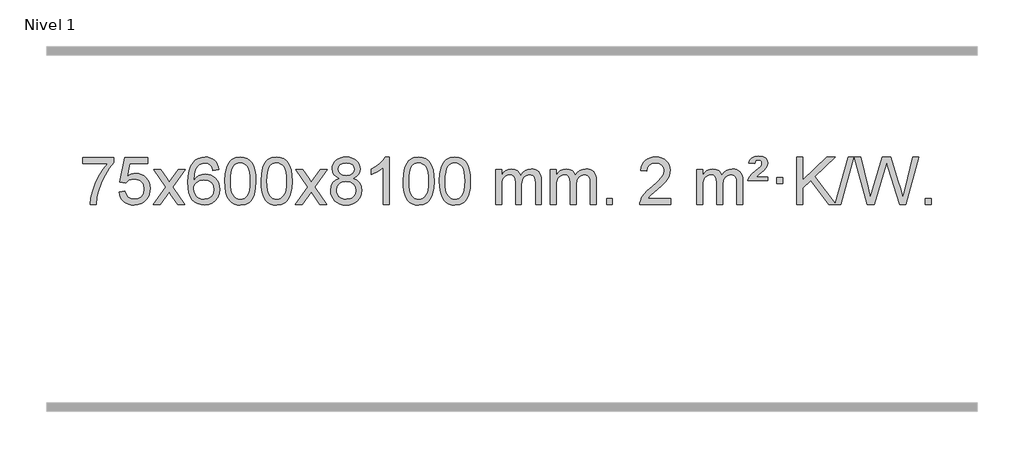
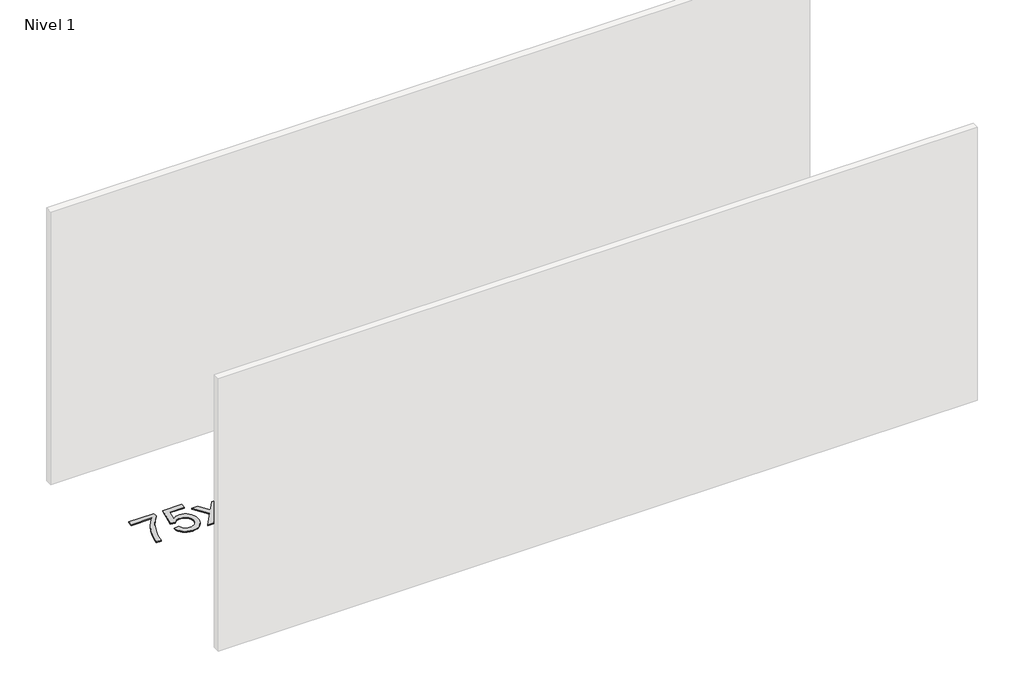
# One storey, part 16 of 21: 1 proxy.
"""IFC4 building model written with IfcOpenShell, lengths in millimetres."""

from ifc_helpers import new_model, si_unit, origin, origin_with_axes, place, context, project, spatial, polyline, outline, extrude, element, save

model = new_model("IFC4")

# Units and contexts
model_context = context("Model", 3, world=origin())
ifc_project = project(units=[si_unit("LENGTHUNIT", "METRE", prefix="MILLI")], contexts=[model_context])

# Site, building, storey
site = spatial("IfcSite", under=ifc_project)
building = spatial("IfcBuilding", under=site)
storey = spatial("IfcBuildingStorey", under=building, Name="Nivel 1", Elevation=0.0)

# Proxy
placement = place(None, origin())
element("IfcBuildingElementProxy", 1, Name="Texto de modelo 1", ObjectType="Texto de modelo 1", at=placement, inside=storey, context=model_context, shape_type="SweptSolid", body=[
    extrude(outline(polyline([(76.1355068, -9070.2608869), (76.1355068, -9020.0327318), (339.8333209, -9020.0327318), (339.8333209, -9060.646904), (302.2480437, -9108.214046), (265.0306485, -9168.7061088), (232.2033118, -9236.6048623), (207.7882101, -9306.3920768), (195.8197825, -9358.6067947), (189.1488557, -9415.579453), (138.9207006, -9415.579453), (144.3530914, -9363.8061935), (158.8844302, -9302.2717985), (182.1223096, -9237.0463207), (213.674322, -9174.1998132), (250.5115725, -9117.3865704), (289.6051658, -9070.2608869), (76.1355068, -9070.2608869)])), origin_with_axes(), (0.0, 0.0, 1.0), 10.0),
    extrude(outline(polyline([(383.7829566, -9308.8446235), (434.0111117, -9302.5661041), (443.232687, -9332.7201649), (459.3213929, -9354.3148381), (482.203653, -9367.3010725), (511.8058909, -9371.6298173), (530.9357547, -9370.1245668), (547.8092755, -9365.6088153), (562.4264534, -9358.0825628), (574.7872885, -9347.5458094), (584.6158691, -9334.519721), (591.6362839, -9319.5254641), (597.2526157, -9283.6324441), (591.9919031, -9249.8363514), (585.4160125, -9235.9181493), (576.2097655, -9223.9865099), (564.3425055, -9214.4154467), (549.7835755, -9207.5789729), (512.5907058, -9202.1097939), (488.224655, -9204.2925604), (468.4939173, -9210.8408599), (452.7363052, -9220.8717757), (440.2896311, -9233.5023908), (390.061476, -9227.2238715), (434.0111117, -9020.0327318), (628.6452126, -9020.0327318), (628.6452126, -9070.2608869), (474.6252839, -9070.2608869), (453.1409754, -9180.919791), (470.8667562, -9168.2155994), (489.0217327, -9159.1411769), (507.6059048, -9153.6965234), (526.6192726, -9151.8816388), (551.0803596, -9154.1318504), (573.5487524, -9160.882485), (594.0244512, -9172.1335427), (612.5074557, -9187.8850234), (627.808281, -9207.1743027), (638.737442, -9229.038756), (645.2949385, -9253.4783832), (647.4807707, -9280.4931844), (645.5126021, -9306.5147042), (639.608096, -9330.7213394), (629.7672527, -9353.1130902), (615.9900719, -9373.6899565), (595.1189001, -9394.7634634), (570.765112, -9409.8159684), (542.9287077, -9418.8474714), (511.6096872, -9421.8579724), (485.6893349, -9419.9235262), (462.2767116, -9414.1201877), (441.3718173, -9404.447957), (422.9746518, -9390.9068338), (407.6676951, -9374.1712688), (396.033427, -9354.915712), (388.0718475, -9333.1401636), (383.7829566, -9308.8446235)])), origin_with_axes(), (0.0, 0.0, 1.0), 10.0),
    extrude(outline(polyline([(672.5948483, -9415.579453), (779.918289, -9267.2494325), (678.8733677, -9120.4890419), (739.3041167, -9120.4890419), (788.0607438, -9191.122385), (810.8203766, -9224.4770192), (830.5388515, -9197.2047007), (886.0645073, -9120.4890419), (946.4952564, -9120.4890419), (840.3490381, -9267.2494325), (942.5711818, -9415.579453), (882.1404327, -9415.579453), (820.6305631, -9326.4048574), (809.3488486, -9310.1199477), (733.0255973, -9415.579453), (672.5948483, -9415.579453)])), origin_with_axes(), (0.0, 0.0, 1.0), 10.0),
    extrude(outline(polyline([(1231.3830735, -9120.4890419), (1181.1549184, -9126.7675613), (1173.0615145, -9101.874213), (1162.1231565, -9084.8780648), (1139.3389983, -9069.2062918), (1111.7968996, -9063.9823675), (1088.4486556, -9067.0235253), (1066.4738378, -9076.1469988), (1047.6014914, -9095.3627017), (1032.1872358, -9121.8134171), (1021.7761754, -9159.227016), (1017.9134144, -9211.3313693), (1038.061085, -9187.8237098), (1062.2064066, -9171.2567573), (1089.0004786, -9161.434308), (1117.0944003, -9158.1601582), (1141.2274592, -9160.398107), (1163.4965826, -9167.1119534), (1183.9017706, -9178.3016975), (1202.4430232, -9193.9673391), (1217.8511474, -9213.1769106), (1228.8569504, -9234.9984443), (1235.4604323, -9259.4319401), (1237.6615929, -9286.4773982), (1233.5167891, -9322.4439945), (1221.0823776, -9355.786366), (1201.3884281, -9384.0642287), (1175.4650102, -9404.8372987), (1144.4893462, -9417.602804), (1109.6386585, -9421.8579724), (1079.6961298, -9419.0375437), (1052.6537375, -9410.5762579), (1028.5114816, -9396.4741147), (1007.269362, -9376.7311143), (989.9513171, -9350.5133908), (977.581285, -9316.9870783), (970.1592658, -9276.1521768), (967.6852593, -9228.0086864), (970.4321116, -9174.0342663), (978.6726683, -9127.9693092), (992.4069294, -9089.8138149), (1011.634895, -9059.5677835), (1032.4754101, -9039.5243462), (1056.6391258, -9025.2076052), (1084.1260422, -9016.6175606), (1114.9361593, -9013.7542124), (1138.0698054, -9015.5261773), (1159.0084223, -9020.8420722), (1177.7520099, -9029.7018969), (1194.3005684, -9042.1056515), (1208.2065078, -9057.6364031), (1219.0222384, -9075.8772186), (1226.7477603, -9096.8280983), (1231.3830735, -9120.4890419)]), holes=[polyline([(1017.9134144, -9285.6925832), (1020.8196822, -9307.9494439), (1029.5384855, -9329.2007605), (1043.0765429, -9347.472233), (1060.4405731, -9360.7895612), (1081.397584, -9368.9197533), (1105.7145839, -9371.6298173), (1138.8607517, -9366.0134855), (1152.7758882, -9358.9930708), (1164.9190597, -9349.1644901), (1174.7691001, -9336.9262824), (1181.8048433, -9322.6769865), (1187.4334378, -9288.1451299), (1181.8784197, -9254.9989621), (1174.934647, -9241.3781312), (1165.2133653, -9229.725469), (1153.0334056, -9220.3904634), (1138.7135989, -9213.7226022), (1103.6544448, -9208.3883133), (1070.5573279, -9213.7226022), (1042.8803391, -9229.725469), (1031.9573096, -9241.2248471), (1024.1551456, -9254.3858254), (1019.4738472, -9269.2084042), (1017.9134144, -9285.6925832)])]), origin_with_axes(), (0.0, 0.0, 1.0), 10.0),
    extrude(outline(polyline([(1281.6112286, -9217.9041943), (1285.3023112, -9153.5861588), (1296.3755593, -9102.2911459), (1314.7206081, -9063.2343407), (1326.5786711, -9048.0009605), (1340.2270931, -9035.6309284), (1355.7118594, -9026.0598651), (1373.0789553, -9019.2233914), (1413.4601356, -9013.7542124), (1444.4112742, -9016.991574), (1472.1250511, -9026.7036586), (1495.3016168, -9042.5103217), (1512.6411215, -9064.0314184), (1525.7377206, -9091.0830078), (1536.1855692, -9123.4811488), (1543.0281743, -9164.6226186), (1545.3090427, -9217.9041943), (1541.6547482, -9281.8543477), (1530.6918648, -9333.0267333), (1512.4571805, -9372.1203266), (1500.6267087, -9387.3996922), (1486.9874837, -9399.8341036), (1471.4843233, -9409.4695462), (1454.0620452, -9416.3520052), (1413.4601356, -9421.8579724), (1385.7954096, -9419.4667394), (1361.2699432, -9412.2930405), (1339.8837366, -9400.3368757), (1321.6367896, -9383.5982449), (1304.1256067, -9353.3399508), (1291.6176188, -9315.6381776), (1284.1128261, -9270.4929255), (1281.6112286, -9217.9041943)]), holes=[polyline([(1331.8393836, -9217.8060924), (1333.3109116, -9261.4706195), (1337.7254956, -9296.8148822), (1345.0831355, -9323.8388804), (1355.3838313, -9342.5426142), (1367.8427682, -9355.2682656), (1381.6751312, -9364.3580165), (1396.8809204, -9369.8118671), (1413.4601356, -9371.6298173), (1430.0393509, -9369.8057357), (1445.24514, -9364.3334911), (1459.077503, -9355.2130833), (1471.5364399, -9342.4445124), (1481.8371358, -9323.7101217), (1489.1947757, -9296.6922549), (1493.6093596, -9261.3909118), (1495.0808876, -9217.8060924), (1493.6584106, -9175.2973278), (1489.3909794, -9140.5753989), (1482.2785942, -9113.6403055), (1472.3212549, -9094.4920476), (1460.0707844, -9081.1440625), (1446.0790059, -9071.6097875), (1430.3459192, -9065.8892225), (1412.8715244, -9063.9823675), (1396.3781483, -9065.6623619), (1381.4298766, -9070.7023452), (1368.0267092, -9079.1023175), (1356.1686462, -9090.8622786), (1345.5245938, -9111.708925), (1337.9216993, -9139.8151094), (1333.3599625, -9175.1808319), (1331.8393836, -9217.8060924)])]), origin_with_axes(), (0.0, 0.0, 1.0), 10.0),
    extrude(outline(polyline([(1589.2586784, -9217.9041943), (1592.9497611, -9153.5861588), (1604.0230091, -9102.2911459), (1622.368058, -9063.2343407), (1634.2261209, -9048.0009605), (1647.874543, -9035.6309284), (1663.3593093, -9026.0598651), (1680.7264051, -9019.2233914), (1721.1075855, -9013.7542124), (1752.058724, -9016.991574), (1779.772501, -9026.7036586), (1802.9490667, -9042.5103217), (1820.2885714, -9064.0314184), (1833.3851704, -9091.0830078), (1843.833019, -9123.4811488), (1850.6756242, -9164.6226186), (1852.9564925, -9217.9041943), (1849.302198, -9281.8543477), (1838.3393146, -9333.0267333), (1820.1046304, -9372.1203266), (1808.2741585, -9387.3996922), (1794.6349336, -9399.8341036), (1779.1317731, -9409.4695462), (1761.709495, -9416.3520052), (1721.1075855, -9421.8579724), (1693.4428594, -9419.4667394), (1668.9173931, -9412.2930405), (1647.5311864, -9400.3368757), (1629.2842395, -9383.5982449), (1611.7730565, -9353.3399508), (1599.2650687, -9315.6381776), (1591.760276, -9270.4929255), (1589.2586784, -9217.9041943)]), holes=[polyline([(1639.4868335, -9217.8060924), (1640.9583614, -9261.4706195), (1645.3729454, -9296.8148822), (1652.7305853, -9323.8388804), (1663.0312812, -9342.5426142), (1675.4902181, -9355.2682656), (1689.3225811, -9364.3580165), (1704.5283702, -9369.8118671), (1721.1075855, -9371.6298173), (1737.6868007, -9369.8057357), (1752.8925898, -9364.3334911), (1766.7249529, -9355.2130833), (1779.1838898, -9342.4445124), (1789.4845856, -9323.7101217), (1796.8422255, -9296.6922549), (1801.2568095, -9261.3909118), (1802.7283375, -9217.8060924), (1801.3058604, -9175.2973278), (1797.0384293, -9140.5753989), (1789.926044, -9113.6403055), (1779.9687047, -9094.4920476), (1767.7182342, -9081.1440625), (1753.7264557, -9071.6097875), (1737.993369, -9065.8892225), (1720.5189743, -9063.9823675), (1704.0255981, -9065.6623619), (1689.0773264, -9070.7023452), (1675.6741591, -9079.1023175), (1663.8160961, -9090.8622786), (1653.1720437, -9111.708925), (1645.5691491, -9139.8151094), (1641.0074124, -9175.1808319), (1639.4868335, -9217.8060924)])]), origin_with_axes(), (0.0, 0.0, 1.0), 10.0),
    extrude(outline(polyline([(1878.0705701, -9415.579453), (1985.3940108, -9267.2494325), (1884.3490895, -9120.4890419), (1944.7798385, -9120.4890419), (1993.5364656, -9191.122385), (2016.2960984, -9224.4770192), (2036.0145733, -9197.2047007), (2091.5402291, -9120.4890419), (2151.9709782, -9120.4890419), (2045.8247599, -9267.2494325), (2148.0469036, -9415.579453), (2087.6161545, -9415.579453), (2026.1062849, -9326.4048574), (2014.8245704, -9310.1199477), (1938.5013191, -9415.579453), (1878.0705701, -9415.579453)])), origin_with_axes(), (0.0, 0.0, 1.0), 10.0),
    extrude(outline(polyline([(2252.6234921, -9194.2616447), (2225.7313182, -9181.0178929), (2206.8589719, -9163.0652515), (2195.7121474, -9140.7716026), (2191.9965393, -9114.5048281), (2194.0198903, -9094.0199324), (2200.0899432, -9075.2395565), (2210.206698, -9058.1637006), (2224.3701549, -9042.7923645), (2241.8997319, -9030.088173), (2262.1148476, -9021.0137504), (2285.0155018, -9015.5690969), (2310.6016945, -9013.7542124), (2336.3105146, -9015.6120165), (2359.3828471, -9021.1854287), (2379.8186919, -9030.4744491), (2397.6180491, -9043.4790776), (2412.0390233, -9059.1508506), (2422.3397192, -9076.4413044), (2428.5201367, -9095.3504389), (2430.5802759, -9115.8782543), (2426.9137187, -9141.2989001), (2415.914047, -9163.2124043), (2397.4586336, -9181.0546811), (2371.4248511, -9194.2616447), (2402.3392014, -9210.1909351), (2424.8413168, -9233.6495436), (2438.5633152, -9263.5092989), (2443.1373147, -9298.6420295), (2440.868709, -9323.6947933), (2434.0628921, -9346.6628926), (2422.7198639, -9367.5463272), (2406.8396245, -9386.3450971), (2387.2560396, -9401.88198), (2364.8029752, -9412.9797536), (2339.4804312, -9419.6384177), (2311.2884076, -9421.8579724), (2283.096384, -9419.6292206), (2257.77384, -9412.9429654), (2235.3207756, -9401.7992066), (2215.7371907, -9386.1979443), (2199.8569512, -9367.26735), (2188.5139231, -9346.135595), (2181.7081062, -9322.8026795), (2179.4395005, -9297.2686033), (2184.197441, -9260.7747094), (2198.4712624, -9230.7555386), (2221.5252008, -9208.2411605), (2252.6234921, -9194.2616447)]), holes=[polyline([(2229.6676556, -9295.5027698), (2231.764583, -9314.7184726), (2238.0553651, -9333.3210389), (2249.6681734, -9349.5446349), (2267.7311794, -9361.623427), (2289.3626407, -9369.1282197), (2311.680815, -9371.6298173), (2345.8693151, -9366.3691048), (2359.7629918, -9359.7932141), (2371.5229529, -9350.5869672), (2387.5626079, -9326.6869002), (2392.9091596, -9297.0723996), (2387.3909297, -9266.9551269), (2370.8362399, -9242.5277625), (2358.7574477, -9233.0854579), (2344.5939909, -9226.3409547), (2310.0130833, -9220.9453521), (2276.3028298, -9226.2673783), (2262.565503, -9232.919911), (2250.9067094, -9242.2334569), (2234.9774191, -9266.1948375), (2229.6676556, -9295.5027698)]), polyline([(2242.2246944, -9115.9763561), (2246.6760665, -9137.902123), (2260.0301829, -9155.413306), (2281.8946362, -9166.8912243), (2311.8770188, -9170.717197), (2341.1604256, -9166.9157497), (2362.693785, -9155.5114079), (2375.9375369, -9138.5888361), (2380.3521208, -9118.232699), (2375.7903841, -9097.1040098), (2362.1051739, -9079.629615), (2340.2775088, -9067.8941794), (2311.2884076, -9063.9823675), (2282.1153654, -9067.8083402), (2260.3244885, -9079.2862585), (2246.7496429, -9096.1107284), (2242.2246944, -9115.9763561)])]), origin_with_axes(), (0.0, 0.0, 1.0), 10.0),
    extrude(outline(polyline([(2675.4425319, -9415.579453), (2625.2143768, -9415.579453), (2625.2143768, -9102.4382987), (2604.2451031, -9119.3976587), (2577.6349721, -9136.3324932), (2524.7580667, -9161.6918254), (2524.7580667, -9114.2105225), (2564.2072793, -9092.7507395), (2598.3835166, -9067.219729), (2625.3247414, -9040.0700378), (2643.0689163, -9013.7542124), (2675.4425319, -9013.7542124), (2675.4425319, -9415.579453)])), origin_with_axes(), (0.0, 0.0, 1.0), 10.0),
    extrude(outline(polyline([(2794.7344002, -9217.9041943), (2798.4254829, -9153.5861588), (2809.4987309, -9102.2911459), (2827.8437797, -9063.2343407), (2839.7018427, -9048.0009605), (2853.3502647, -9035.6309284), (2868.8350311, -9026.0598651), (2886.2021269, -9019.2233914), (2926.5833073, -9013.7542124), (2957.5344458, -9016.991574), (2985.2482228, -9026.7036586), (3008.4247884, -9042.5103217), (3025.7642932, -9064.0314184), (3038.8608922, -9091.0830078), (3049.3087408, -9123.4811488), (3056.151346, -9164.6226186), (3058.4322143, -9217.9041943), (3054.7779198, -9281.8543477), (3043.8150364, -9333.0267333), (3025.5803522, -9372.1203266), (3013.7498803, -9387.3996922), (3000.1106554, -9399.8341036), (2984.6074949, -9409.4695462), (2967.1852168, -9416.3520052), (2926.5833073, -9421.8579724), (2898.9185812, -9419.4667394), (2874.3931149, -9412.2930405), (2853.0069082, -9400.3368757), (2834.7599613, -9383.5982449), (2817.2487783, -9353.3399508), (2804.7407905, -9315.6381776), (2797.2359977, -9270.4929255), (2794.7344002, -9217.9041943)]), holes=[polyline([(2844.9625553, -9217.8060924), (2846.4340832, -9261.4706195), (2850.8486672, -9296.8148822), (2858.2063071, -9323.8388804), (2868.5070029, -9342.5426142), (2880.9659399, -9355.2682656), (2894.7983029, -9364.3580165), (2910.004092, -9369.8118671), (2926.5833073, -9371.6298173), (2943.1625225, -9369.8057357), (2958.3683116, -9364.3334911), (2972.2006747, -9355.2130833), (2984.6596116, -9342.4445124), (2994.9603074, -9323.7101217), (3002.3179473, -9296.6922549), (3006.7325313, -9261.3909118), (3008.2040592, -9217.8060924), (3006.7815822, -9175.2973278), (3002.5141511, -9140.5753989), (2995.4017658, -9113.6403055), (2985.4444265, -9094.4920476), (2973.193956, -9081.1440625), (2959.2021775, -9071.6097875), (2943.4690908, -9065.8892225), (2925.9946961, -9063.9823675), (2909.5013199, -9065.6623619), (2894.5530482, -9070.7023452), (2881.1498808, -9079.1023175), (2869.2918179, -9090.8622786), (2858.6477655, -9111.708925), (2851.0448709, -9139.8151094), (2846.4831342, -9175.1808319), (2844.9625553, -9217.8060924)])]), origin_with_axes(), (0.0, 0.0, 1.0), 10.0),
    extrude(outline(polyline([(3102.38185, -9217.9041943), (3106.0729327, -9153.5861588), (3117.1461808, -9102.2911459), (3135.4912296, -9063.2343407), (3147.3492926, -9048.0009605), (3160.9977146, -9035.6309284), (3176.4824809, -9026.0598651), (3193.8495767, -9019.2233914), (3234.2307571, -9013.7542124), (3265.1818956, -9016.991574), (3292.8956726, -9026.7036586), (3316.0722383, -9042.5103217), (3333.411743, -9064.0314184), (3346.508342, -9091.0830078), (3356.9561907, -9123.4811488), (3363.7987958, -9164.6226186), (3366.0796642, -9217.9041943), (3362.4253697, -9281.8543477), (3351.4624862, -9333.0267333), (3333.227802, -9372.1203266), (3321.3973302, -9387.3996922), (3307.7581052, -9399.8341036), (3292.2549448, -9409.4695462), (3274.8326666, -9416.3520052), (3234.2307571, -9421.8579724), (3206.566031, -9419.4667394), (3182.0405647, -9412.2930405), (3160.6543581, -9400.3368757), (3142.4074111, -9383.5982449), (3124.8962281, -9353.3399508), (3112.3882403, -9315.6381776), (3104.8834476, -9270.4929255), (3102.38185, -9217.9041943)]), holes=[polyline([(3152.6100051, -9217.8060924), (3154.0815331, -9261.4706195), (3158.496117, -9296.8148822), (3165.8537569, -9323.8388804), (3176.1544528, -9342.5426142), (3188.6133897, -9355.2682656), (3202.4457527, -9364.3580165), (3217.6515418, -9369.8118671), (3234.2307571, -9371.6298173), (3250.8099723, -9369.8057357), (3266.0157615, -9364.3334911), (3279.8481245, -9355.2130833), (3292.3070614, -9342.4445124), (3302.6077573, -9323.7101217), (3309.9653972, -9296.6922549), (3314.3799811, -9261.3909118), (3315.8515091, -9217.8060924), (3314.429032, -9175.2973278), (3310.1616009, -9140.5753989), (3303.0492157, -9113.6403055), (3293.0918763, -9094.4920476), (3280.8414059, -9081.1440625), (3266.8496273, -9071.6097875), (3251.1165407, -9065.8892225), (3233.6421459, -9063.9823675), (3217.1487698, -9065.6623619), (3202.200498, -9070.7023452), (3188.7973307, -9079.1023175), (3176.9392677, -9090.8622786), (3166.2952153, -9111.708925), (3158.6923207, -9139.8151094), (3154.130584, -9175.1808319), (3152.6100051, -9217.8060924)])]), origin_with_axes(), (0.0, 0.0, 1.0), 10.0),
    extrude(outline(polyline([(3579.5493232, -9415.579453), (3579.5493232, -9120.4890419), (3629.7774783, -9120.4890419), (3629.7774783, -9169.0494653), (3644.8851656, -9146.7435537), (3664.3093349, -9129.2691589), (3687.3877987, -9117.9751816), (3713.4583695, -9114.2105225), (3741.3928756, -9118.048758), (3763.7846264, -9129.5634645), (3780.5109945, -9147.9943524), (3791.4493524, -9172.5811324), (3809.7576131, -9147.0439906), (3830.6410477, -9128.803175), (3854.0996562, -9117.8586857), (3880.1334388, -9114.2105225), (3900.2412555, -9115.7280358), (3917.8903942, -9120.2805755), (3933.0808549, -9127.8681416), (3945.8126376, -9138.4907342), (3955.8772759, -9152.2709806), (3963.0663032, -9169.3315082), (3967.3797196, -9189.6723168), (3968.8175251, -9213.2934066), (3968.8175251, -9415.579453), (3918.58937, -9415.579453), (3918.58937, -9234.875817), (3917.4244103, -9209.8230531), (3913.9295314, -9192.9372695), (3907.3812319, -9181.3735121), (3897.0560105, -9172.2868268), (3883.7754705, -9166.4007149), (3868.3612149, -9164.4386776), (3841.15021, -9169.4663982), (3818.9669257, -9184.54956), (3810.3615527, -9196.1194488), (3804.2148577, -9210.7182326), (3799.2975017, -9249.0024856), (3799.2975017, -9415.579453), (3749.0693466, -9415.579453), (3749.0693466, -9229.2840106), (3746.1630788, -9200.8835206), (3737.4442756, -9180.6254854), (3722.1035964, -9168.4853796), (3699.3317009, -9164.4386776), (3679.9811079, -9167.1364789), (3662.1510939, -9175.2298828), (3647.4358141, -9188.5226856), (3637.4294238, -9206.8186835), (3631.6904647, -9232.2025411), (3629.7774783, -9266.7589232), (3629.7774783, -9415.579453), (3579.5493232, -9415.579453)])), origin_with_axes(), (0.0, 0.0, 1.0), 10.0),
    extrude(outline(polyline([(4044.1597577, -9415.579453), (4044.1597577, -9120.4890419), (4094.3879127, -9120.4890419), (4094.3879127, -9169.0494653), (4109.4956, -9146.7435537), (4128.9197694, -9129.2691589), (4151.9982332, -9117.9751816), (4178.0688039, -9114.2105225), (4206.0033101, -9118.048758), (4228.3950609, -9129.5634645), (4245.1214289, -9147.9943524), (4256.0597869, -9172.5811324), (4274.3680475, -9147.0439906), (4295.2514821, -9128.803175), (4318.7100907, -9117.8586857), (4344.7438732, -9114.2105225), (4364.8516899, -9115.7280358), (4382.5008286, -9120.2805755), (4397.6912893, -9127.8681416), (4410.4230721, -9138.4907342), (4420.4877103, -9152.2709806), (4427.6767376, -9169.3315082), (4431.990154, -9189.6723168), (4433.4279595, -9213.2934066), (4433.4279595, -9415.579453), (4383.1998044, -9415.579453), (4383.1998044, -9234.875817), (4382.0348448, -9209.8230531), (4378.5399658, -9192.9372695), (4371.9916663, -9181.3735121), (4361.666445, -9172.2868268), (4348.3859049, -9166.4007149), (4332.9716493, -9164.4386776), (4305.7606444, -9169.4663982), (4283.5773601, -9184.54956), (4274.9719871, -9196.1194488), (4268.8252921, -9210.7182326), (4263.9079361, -9249.0024856), (4263.9079361, -9415.579453), (4213.679781, -9415.579453), (4213.679781, -9229.2840106), (4210.7735133, -9200.8835206), (4202.05471, -9180.6254854), (4186.7140308, -9168.4853796), (4163.9421353, -9164.4386776), (4144.5915424, -9167.1364789), (4126.7615283, -9175.2298828), (4112.0462485, -9188.5226856), (4102.0398582, -9206.8186835), (4096.3008991, -9232.2025411), (4094.3879127, -9266.7589232), (4094.3879127, -9415.579453), (4044.1597577, -9415.579453)])), origin_with_axes(), (0.0, 0.0, 1.0), 10.0),
    extrude(outline(polyline([(4521.3272309, -9415.579453), (4521.3272309, -9365.3512979), (4571.555386, -9365.3512979), (4571.555386, -9415.579453), (4521.3272309, -9415.579453)])), origin_with_axes(), (0.0, 0.0, 1.0), 10.0),
    extrude(outline(polyline([(5067.5584173, -9365.3512979), (5067.5584173, -9415.579453), (4803.8606032, -9415.579453), (4804.9642492, -9397.8965918), (4809.2562058, -9380.9494945), (4821.6415663, -9353.8856424), (4839.7658859, -9327.6311307), (4865.9836094, -9300.1503456), (4902.6491816, -9269.4076736), (4956.8504622, -9221.2641831), (4989.3712306, -9185.7267824), (5005.6316148, -9156.884834), (5011.0517429, -9128.8277005), (5005.9381831, -9103.6768347), (4990.5975039, -9082.7688747), (4967.016268, -9068.6789943), (4937.1810382, -9063.9823675), (4905.849755, -9068.5686297), (4881.5082296, -9082.3274163), (4865.7996684, -9104.1796068), (4860.3672776, -9133.0460807), (4810.1391226, -9126.7675613), (4814.4586703, -9100.838012), (4822.3160166, -9078.1826125), (4833.7111614, -9058.8013627), (4848.6441047, -9042.6942627), (4866.77149, -9030.0329907), (4887.7499608, -9020.989225), (4911.579517, -9015.5629655), (4938.2601587, -9013.7542124), (4965.1799237, -9015.7653006), (4989.1382387, -9021.7985654), (5010.1351036, -9031.8540066), (5028.1705184, -9045.9316242), (5042.6558719, -9062.9890861), (5053.002553, -9081.9840598), (5059.2105617, -9102.9165453), (5061.2798979, -9125.7865427), (5059.0480805, -9149.8092369), (5052.3526282, -9173.4149983), (5040.4700397, -9197.4254299), (5022.6768139, -9222.6621347), (4994.3131121, -9252.7916701), (4950.7190956, -9291.4805933), (4892.9370969, -9339.795762), (4870.275566, -9365.3512979), (5067.5584173, -9365.3512979)])), origin_with_axes(), (0.0, 0.0, 1.0), 10.0),
    extrude(outline(polyline([(5287.3065958, -9415.579453), (5287.3065958, -9120.4890419), (5337.5347508, -9120.4890419), (5337.5347508, -9169.0494653), (5352.6424381, -9146.7435537), (5372.0666075, -9129.2691589), (5395.1450713, -9117.9751816), (5421.215642, -9114.2105225), (5449.1501482, -9118.048758), (5471.541899, -9129.5634645), (5488.268267, -9147.9943524), (5499.206625, -9172.5811324), (5517.5148856, -9147.0439906), (5538.3983202, -9128.803175), (5561.8569288, -9117.8586857), (5587.8907113, -9114.2105225), (5607.998528, -9115.7280358), (5625.6476667, -9120.2805755), (5640.8381275, -9127.8681416), (5653.5699102, -9138.4907342), (5663.6345484, -9152.2709806), (5670.8235757, -9169.3315082), (5675.1369921, -9189.6723168), (5676.5747976, -9213.2934066), (5676.5747976, -9415.579453), (5626.3466425, -9415.579453), (5626.3466425, -9234.875817), (5625.1816829, -9209.8230531), (5621.6868039, -9192.9372695), (5615.1385044, -9181.3735121), (5604.8132831, -9172.2868268), (5591.532743, -9166.4007149), (5576.1184874, -9164.4386776), (5548.9074825, -9169.4663982), (5526.7241982, -9184.54956), (5518.1188252, -9196.1194488), (5511.9721302, -9210.7182326), (5507.0547742, -9249.0024856), (5507.0547742, -9415.579453), (5456.8266191, -9415.579453), (5456.8266191, -9229.2840106), (5453.9203514, -9200.8835206), (5445.2015481, -9180.6254854), (5429.8608689, -9168.4853796), (5407.0889734, -9164.4386776), (5387.7383805, -9167.1364789), (5369.9083664, -9175.2298828), (5355.1930866, -9188.5226856), (5345.1866963, -9206.8186835), (5339.4477372, -9232.2025411), (5337.5347508, -9266.7589232), (5337.5347508, -9415.579453), (5287.3065958, -9415.579453)])), origin_with_axes(), (0.0, 0.0, 1.0), 10.0),
    extrude(outline(polyline([(5720.5244333, -9214.6668327), (5724.350406, -9198.8479069), (5732.6890646, -9182.9799302), (5754.1978986, -9157.8413272), (5786.1545812, -9130.1030247), (5830.3004207, -9092.726214), (5837.4373314, -9081.1992448), (5839.8163016, -9069.3779701), (5837.9278407, -9057.2869152), (5832.262458, -9047.5012541), (5822.8937298, -9041.026531), (5809.8952327, -9038.8682899), (5797.4608212, -9040.4869707), (5788.6071279, -9045.343013), (5782.1814557, -9054.8098431), (5777.0311077, -9070.2608869), (5726.8029527, -9063.9823675), (5737.6432088, -9038.7701881), (5754.271475, -9021.2099542), (5778.0366519, -9010.9092583), (5810.2876401, -9007.475693), (5846.0702955, -9011.6082341), (5870.8164911, -9024.0058573), (5885.2374653, -9042.3386434), (5890.0444567, -9064.2766731), (5885.9487038, -9087.1834586), (5873.6614451, -9108.8149199), (5853.1336298, -9128.6314968), (5816.6642614, -9156.6886303), (5791.0596745, -9183.2742358), (5890.0444567, -9183.2742358), (5890.0444567, -9214.6668327), (5720.5244333, -9214.6668327)])), origin_with_axes(), (0.0, 0.0, 1.0), 10.0),
    extrude(outline(polyline([(5965.3866893, -9239.7809102), (5965.3866893, -9189.5527552), (6015.6148444, -9189.5527552), (6015.6148444, -9239.7809102), (5965.3866893, -9239.7809102)])), origin_with_axes(), (0.0, 0.0, 1.0), 10.0),
    extrude(outline(polyline([(6406.2564723, -9415.579453), (6252.8251548, -9212.9009991), (6185.1348677, -9277.4520265), (6185.1348677, -9415.579453), (6134.9067127, -9415.579453), (6134.9067127, -9013.7542124), (6185.1348677, -9013.7542124), (6185.1348677, -9210.4484525), (6391.148785, -9013.7542124), (6461.3897206, -9013.7542124), (6288.436132, -9178.9577537), (6463.0897418, -9409.5349332), (6574.4030696, -9013.7542124), (6619.7261314, -9013.7542124), (6506.7127824, -9415.579453), (6467.66824, -9415.579453), (6461.3897206, -9415.579453), (6406.2564723, -9415.579453)])), origin_with_axes(), (0.0, 0.0, 1.0), 10.0),
    extrude(outline(polyline([(6734.2110083, -9415.579453), (6624.6312246, -9013.7542124), (6676.4290096, -9013.7542124), (6739.9990183, -9277.844434), (6759.6193914, -9359.3670841), (6780.6131906, -9287.2622131), (6860.2719053, -9013.7542124), (6934.9274248, -9013.7542124), (6992.8075254, -9212.0180823), (7017.6027719, -9285.5944814), (7035.8742443, -9359.3670841), (7054.9060062, -9280.1988788), (7119.0646262, -9013.7542124), (7170.8624111, -9013.7542124), (7061.1845256, -9415.579453), (7007.5228052, -9415.579453), (6911.1867734, -9105.5775584), (6897.7468179, -9062.3146358), (6882.6391306, -9114.4067263), (6794.8379611, -9415.579453), (6734.2110083, -9415.579453)])), origin_with_axes(), (0.0, 0.0, 1.0), 10.0),
    extrude(outline(polyline([(7227.3690855, -9415.579453), (7227.3690855, -9365.3512979), (7277.5972406, -9365.3512979), (7277.5972406, -9415.579453), (7227.3690855, -9415.579453)])), origin_with_axes(), (0.0, 0.0, 1.0), 10.0),
])

save(model, "model.ifc")
